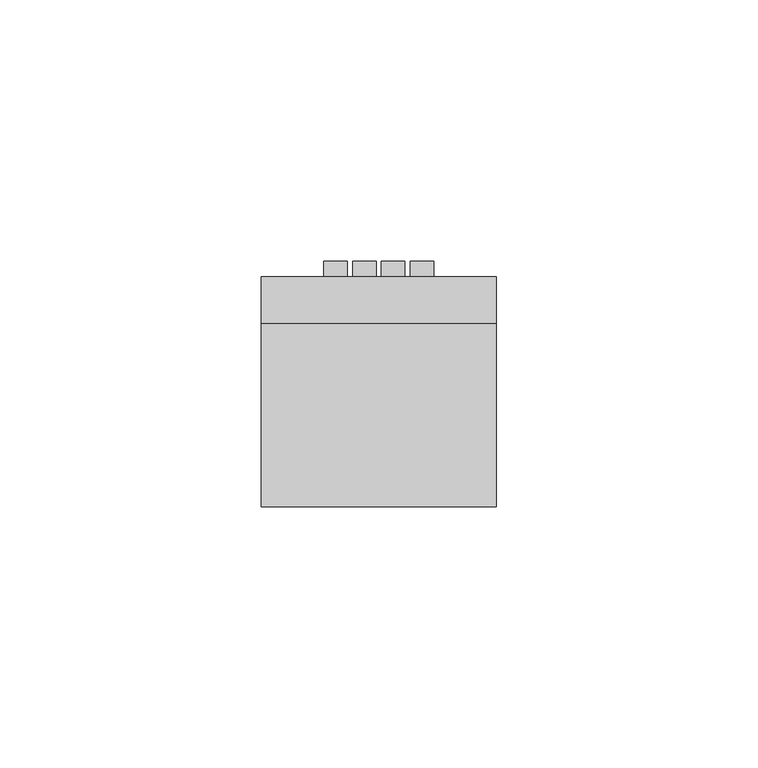
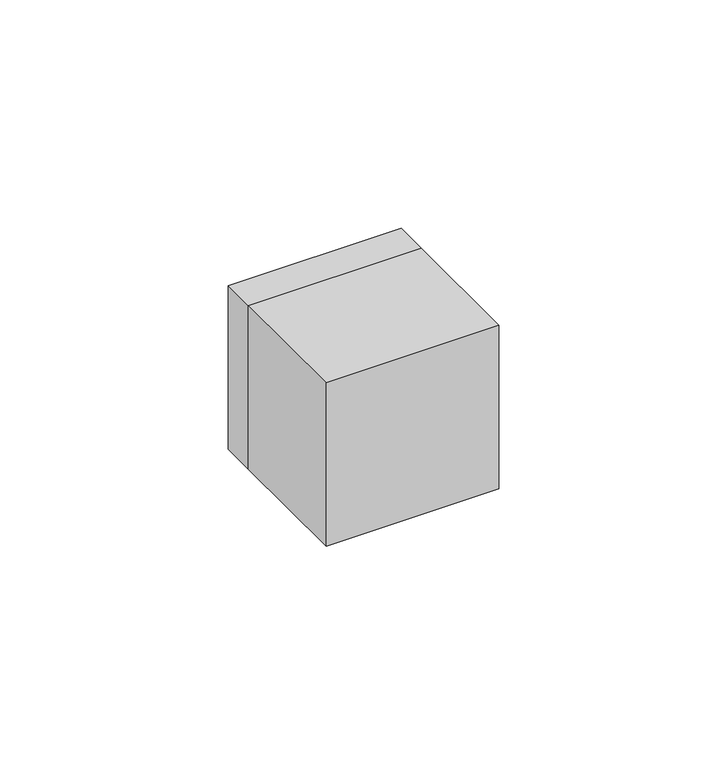
"""IFC4 building model written with IfcOpenShell, lengths in millimetres: electric appliance geometry."""

from ifc_helpers import new_model, si_unit, frame, origin, place, context, project, spatial, polyline, outline, extrude, faceted_brep, source, transform, mapped, element, save


def electric_appliance_3ce8fd87(model_context):
    return source(origin(), model_context, "Body", "SolidModel", [
        extrude(outline(polyline([(-6.0, 9.0), (-10.5, 9.0), (-10.5, 12.0), (-6.0, 12.0), (-6.0, 9.0)])), frame((0.0, 0.0, -5.0), z_axis=(0.0, 0.0, 1.0), x_axis=(1.0, 0.0, 0.0)), (0.0, 0.0, 1.0), 10.0),
        extrude(outline(polyline([(-0.5, 9.0), (-5.0, 9.0), (-5.0, 12.0), (-0.5, 12.0), (-0.5, 9.0)])), frame((0.0, 0.0, -5.0), z_axis=(0.0, 0.0, 1.0), x_axis=(1.0, 0.0, 0.0)), (0.0, 0.0, 1.0), 10.0),
        extrude(outline(polyline([(22.5, -35.0), (-22.5, -35.0), (-22.5, 0.0), (22.5, 0.0), (22.5, -35.0)])), frame((0.0, 0.0, -22.5), z_axis=(0.0, 0.0, 1.0), x_axis=(1.0, 0.0, 0.0)), (0.0, 0.0, 1.0), 45.0),
        faceted_brep([(22.5, 9.0, 22.5), (22.5, 9.0, -22.5), (-22.5, 9.0, -22.5), (-22.5, 9.0, 22.5), (11.5, 9.0, 6.0), (-11.5, 9.0, 6.0), (-11.5, 9.0, -6.0), (11.5, 9.0, -6.0), (11.0, 9.0, -5.5), (-11.0, 9.0, -5.5), (-11.0, 9.0, 5.5), (11.0, 9.0, 5.5), (22.5, 0.0, 22.5), (-22.5, 0.0, 22.5), (-22.5, 0.0, -22.5), (22.5, 0.0, -22.5), (-11.5, 8.0, 6.0), (11.5, 8.0, 6.0), (11.5, 8.0, -6.0), (-11.5, 8.0, -6.0), (11.0, 8.0, 5.5), (-11.0, 8.0, 5.5), (-11.0, 8.0, -5.5), (11.0, 8.0, -5.5)], [[[0, 1, 2, 3], [4, 5, 6, 7]], [[8, 9, 10, 11]], [[12, 13, 14, 15]], [[0, 3, 13, 12]], [[3, 2, 14, 13]], [[2, 1, 15, 14]], [[1, 0, 12, 15]], [[16, 17, 18, 19], [20, 21, 22, 23]], [[17, 16, 5, 4]], [[19, 18, 7, 6]], [[23, 22, 9, 8]], [[21, 20, 11, 10]], [[16, 19, 6, 5]], [[18, 17, 4, 7]], [[20, 23, 8, 11]], [[22, 21, 10, 9]]]),
        extrude(outline(polyline([(5.0, 9.0), (0.5, 9.0), (0.5, 12.0), (5.0, 12.0), (5.0, 9.0)])), frame((0.0, 0.0, -5.0), z_axis=(0.0, 0.0, 1.0), x_axis=(1.0, 0.0, 0.0)), (0.0, 0.0, 1.0), 10.0),
        extrude(outline(polyline([(10.5, 9.0), (6.0, 9.0), (6.0, 12.0), (10.5, 12.0), (10.5, 9.0)])), frame((0.0, 0.0, -5.0), z_axis=(0.0, 0.0, 1.0), x_axis=(1.0, 0.0, 0.0)), (0.0, 0.0, 1.0), 10.0),
    ])


if __name__ == "__main__":
    model = new_model("IFC4")
    model_context = context("Model", 3, world=origin())
    ifc_project = project(units=[si_unit("LENGTHUNIT", "METRE", prefix="MILLI")], contexts=[model_context])
    site = spatial("IfcSite", under=ifc_project)
    building = spatial("IfcBuilding", under=site)
    placement = place(None, origin())
    electric_appliance_shape = electric_appliance_3ce8fd87(model_context)
    element("IfcElectricAppliance", 1, at=placement, inside=building, context=model_context, shape_type="MappedRepresentation", body=[
        mapped(electric_appliance_shape, transform((0.0, 0.0, 0.0), x_axis=(1.0, 0.0, 0.0), y_axis=(0.0, 1.0, 0.0), z_axis=(0.0, 0.0, 1.0))),
    ])
    save(model, "model.ifc")
